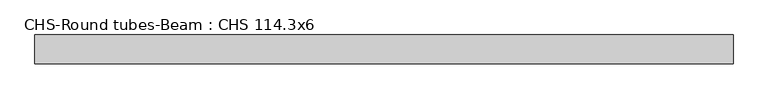
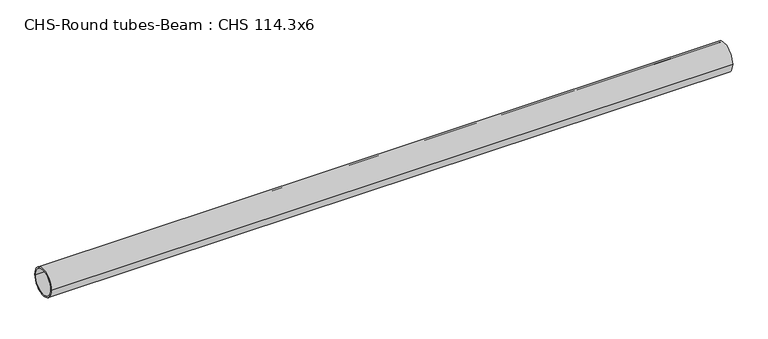
"""IFC4 building model written with IfcOpenShell, lengths in millimetres: beam geometry, CHS-Round tubes-Beam : CHS 114.3x6."""

import ifcopenshell
import ifcopenshell.guid

model = None  # the IFC model being written
_history = None  # IfcOwnerHistory: only IFC2X3 demands one
_inside = {}  # id of a spatial element -> (the spatial element, [elements in it])
_under = {}  # id of a project, library or spatial element -> (it, [spatial elements below it])
_declared = {}  # id of a project -> (the project, [libraries it declares])
_typed = {}  # id of a type object -> (the type object, [elements of that type])
_made_of = {}  # id of a material, layer set ... -> (it, [elements and type objects made of it])


def new_model(schema):
    """Start an empty IFC model of exactly this schema.

    Asked for "IFC4X3", IfcOpenShell would pick the latest addendum, in which some entities
    have other attributes; the version numbers below select the first issue.
    IFC2X3 requires an IfcOwnerHistory on every rooted entity: one is made here for all.
    """
    global model, _history
    if schema == "IFC4X3":
        model = ifcopenshell.file(schema_version=(4, 3, 0, 0))
    else:
        model = ifcopenshell.file(schema=schema)
    _inside.clear()
    _under.clear()
    _declared.clear()
    _typed.clear()
    _made_of.clear()
    _history = None
    if model.schema == "IFC2X3":
        org = make("IfcOrganization", Name="unknown")
        user = make(
            "IfcPersonAndOrganization",
            ThePerson=make("IfcPerson", FamilyName="unknown"),
            TheOrganization=org,
        )
        app = make(
            "IfcApplication",
            ApplicationDeveloper=org,
            Version="unknown",
            ApplicationFullName="unknown",
            ApplicationIdentifier="unknown",
        )
        _history = make(
            "IfcOwnerHistory",
            OwningUser=user,
            OwningApplication=app,
            ChangeAction="ADDED",
            CreationDate=0,
        )
    return model


def make(cls, **values):
    """One entity of the class cls with the attributes given. An attribute that is None is left unset."""
    return model.create_entity(
        cls, **{name: value for name, value in values.items() if value is not None}
    )


def rooted(cls, **values):
    """An entity with a GlobalId (a new one), such as an element, a storey or a relation."""
    return make(cls, GlobalId=ifcopenshell.guid.new(), OwnerHistory=_history, **values)


def si_unit(unit_type, name, prefix=None):
    """IfcSIUnit, for example si_unit("LENGTHUNIT", "METRE", prefix="MILLI")."""
    return make("IfcSIUnit", UnitType=unit_type, Prefix=prefix, Name=name)


def assignment(units):
    """IfcUnitAssignment: the units of a project."""
    return None if units is None else make("IfcUnitAssignment", Units=units)


def point(xyz):
    """IfcCartesianPoint."""
    return None if xyz is None else make("IfcCartesianPoint", Coordinates=xyz)


def direction(xyz):
    """IfcDirection."""
    return None if xyz is None else make("IfcDirection", DirectionRatios=xyz)


def frame(location, z_axis=None, x_axis=None):
    """IfcAxis2Placement3D, a coordinate frame: its origin and axes. An axis left out is left unset."""
    return make(
        "IfcAxis2Placement3D",
        Location=point(location),
        Axis=direction(z_axis),
        RefDirection=direction(x_axis),
    )


def frame_2d(location, x_axis=None):
    """IfcAxis2Placement2D, a coordinate frame in the plane: its origin and x axis."""
    return make(
        "IfcAxis2Placement2D", Location=point(location), RefDirection=direction(x_axis)
    )


def origin():
    """The frame at (0, 0, 0) with its axes left unset."""
    return frame((0.0, 0.0, 0.0))


def origin_2d():
    """The frame at (0, 0) in the plane with its x axis left unset."""
    return frame_2d((0.0, 0.0))


def place(relative_to, where):
    """IfcLocalPlacement: puts the frame where relative to a parent placement (None: the world)."""
    return make(
        "IfcLocalPlacement", PlacementRelTo=relative_to, RelativePlacement=where
    )


def context(
    kind, dimensions, precision=None, world=None, true_north=None, identifier=None
):
    """IfcGeometricRepresentationContext, for example the 3D "Model" context."""
    return make(
        "IfcGeometricRepresentationContext",
        ContextIdentifier=identifier,
        ContextType=kind,
        CoordinateSpaceDimension=dimensions,
        Precision=precision,
        WorldCoordinateSystem=world,
        TrueNorth=true_north,
    )


def project(units=None, contexts=None):
    """IfcProject with its units and contexts."""
    return rooted(
        "IfcProject",
        Name="project",
        RepresentationContexts=contexts,
        UnitsInContext=assignment(units),
    )


def spatial(cls, under=None, at=None, **own):
    """A site, building, storey or space (cls), placed at a placement, below another one or the project."""
    s = rooted(cls, ObjectPlacement=at, **own)
    if under is not None:
        _under.setdefault(under.id(), (under, []))[1].append(s)
    return s


def circle_curve(where, radius):
    """IfcCircle in the frame where."""
    return make("IfcCircle", Position=where, Radius=radius)


def trimmed(basis, trim1, trim2, sense, master):
    """IfcTrimmedCurve: the piece of a basis curve between two trims."""
    return make(
        "IfcTrimmedCurve",
        BasisCurve=basis,
        Trim1=trim1,
        Trim2=trim2,
        SenseAgreement=sense,
        MasterRepresentation=master,
    )


def segment(curve, same_sense, transition):
    """IfcCompositeCurveSegment."""
    return make(
        "IfcCompositeCurveSegment",
        Transition=transition,
        SameSense=same_sense,
        ParentCurve=curve,
    )


def composite_curve(segments, self_intersect=None):
    """IfcCompositeCurve: segments joined end to end."""
    return make("IfcCompositeCurve", Segments=segments, SelfIntersect=self_intersect)


def outline(outer, holes=None, kind="AREA"):
    """IfcArbitraryClosedProfileDef: a profile drawn as a closed curve; with holes, ...WithVoids."""
    if holes is None:
        return make("IfcArbitraryClosedProfileDef", ProfileType=kind, OuterCurve=outer)
    return make(
        "IfcArbitraryProfileDefWithVoids",
        ProfileType=kind,
        OuterCurve=outer,
        InnerCurves=holes,
    )


def extrude(swept, where, along, depth):
    """IfcExtrudedAreaSolid: the profile swept, set in the frame where, extruded along a direction by depth."""
    return make(
        "IfcExtrudedAreaSolid",
        SweptArea=swept,
        Position=where,
        ExtrudedDirection=direction(along),
        Depth=depth,
    )


def shape(context_of_items, identifier, shape_type, items):
    """IfcShapeRepresentation: the items that make up one representation, for example the "Body"."""
    return make(
        "IfcShapeRepresentation",
        ContextOfItems=context_of_items,
        RepresentationIdentifier=identifier,
        RepresentationType=shape_type,
        Items=items,
    )


def source(mapping_origin, context_of_items, identifier, shape_type, items):
    """IfcRepresentationMap: a shape defined once, which mapped items show again and again."""
    return make(
        "IfcRepresentationMap",
        MappingOrigin=mapping_origin,
        MappedRepresentation=shape(context_of_items, identifier, shape_type, items),
    )


def transform(
    local_origin,
    x_axis=None,
    y_axis=None,
    z_axis=None,
    scale=None,
    scale2=None,
    scale3=None,
    uniform=True,
):
    """IfcCartesianTransformationOperator3D, or its non-uniform kind. x_axis, y_axis, z_axis: its Axis1, 2, 3."""
    if uniform:
        return make(
            "IfcCartesianTransformationOperator3D",
            Axis1=direction(x_axis),
            Axis2=direction(y_axis),
            LocalOrigin=point(local_origin),
            Scale=scale,
            Axis3=direction(z_axis),
        )
    return make(
        "IfcCartesianTransformationOperator3DnonUniform",
        Axis1=direction(x_axis),
        Axis2=direction(y_axis),
        LocalOrigin=point(local_origin),
        Scale=scale,
        Axis3=direction(z_axis),
        Scale2=scale2,
        Scale3=scale3,
    )


def mapped(mapping_source, mapping_target):
    """IfcMappedItem: shows the shape of a source again, moved by a transform."""
    return make(
        "IfcMappedItem", MappingSource=mapping_source, MappingTarget=mapping_target
    )


def made_of(thing, what):
    """Note that an element or type object is made of a material, layer set ...; save() writes the relation."""
    if what is not None:
        _made_of.setdefault(what.id(), (what, []))[1].append(thing)
    return thing


def element(
    cls,
    number,
    at=None,
    inside=None,
    cuts=None,
    type_object=None,
    material=None,
    context=None,
    identifier="Body",
    shape_type=None,
    held_by="IfcProductDefinitionShape",
    body=None,
    shapes=None,
    **own,
):
    """One element of the class cls, such as IfcWall. Its Tag is "e" and its number.

    at: its placement. inside: the storey or other place that contains it. cuts: it is an
    opening in that element (IfcRelVoidsElement). A single representation is given by context,
    identifier, shape_type and body (its items); several are given by shapes. held_by: the class
    of the entity that holds the representations. save() writes the other relations.
    """
    e = rooted(cls, Tag="e%d" % number, ObjectPlacement=at, **own)
    if body is not None:
        shapes = [shape(context, identifier, shape_type, body)]
    if shapes is not None:
        e.Representation = make(held_by, Representations=shapes)
    if inside is not None:
        _inside.setdefault(inside.id(), (inside, []))[1].append(e)
    if cuts is not None:
        rooted(
            "IfcRelVoidsElement", RelatingBuildingElement=cuts, RelatedOpeningElement=e
        )
    if type_object is not None:
        _typed.setdefault(type_object.id(), (type_object, []))[1].append(e)
    return made_of(e, material)


def aggregate(whole, parts):
    """IfcRelAggregates: a whole, such as a stair, and the parts it consists of."""
    return rooted("IfcRelAggregates", RelatingObject=whole, RelatedObjects=parts)


def save(model, path):
    """Write the relations noted so far, then the file.

    IfcRelAggregates (storeys below a building ...), IfcRelContainedInSpatialStructure (elements
    in a storey), IfcRelDefinesByType, IfcRelAssociatesMaterial and IfcRelDeclares: one each for
    every whole, place, type object, material and project.
    """
    for whole, parts in _under.values():
        aggregate(whole, parts)
    for where, things in _inside.values():
        rooted(
            "IfcRelContainedInSpatialStructure",
            RelatedElements=things,
            RelatingStructure=where,
        )
    for kind, things in _typed.values():
        rooted("IfcRelDefinesByType", RelatedObjects=things, RelatingType=kind)
    for what, things in _made_of.values():
        rooted("IfcRelAssociatesMaterial", RelatedObjects=things, RelatingMaterial=what)
    for by, libraries in _declared.values():
        rooted("IfcRelDeclares", RelatingContext=by, RelatedDefinitions=libraries)
    model.write(path)


def chs_round_tubes_beam_chs_114_3x6_7db4c70f(model_context):
    return source(origin(), model_context, "Body", "SweptSolid", [
        extrude(outline(composite_curve([segment(trimmed(circle_curve(origin_2d(), 57.15), [point((57.15, 0.0))], [point((-57.15, 0.0))], False, "CARTESIAN"), True, "CONTINUOUS"), segment(trimmed(circle_curve(origin_2d(), 57.15), [point((-57.15, 0.0))], [point((57.15, 0.0))], False, "CARTESIAN"), True, "CONTINUOUS")], self_intersect=False), holes=[composite_curve([segment(trimmed(circle_curve(origin_2d(), 51.15), [point((51.15, 0.0))], [point((-51.15, 0.0))], True, "CARTESIAN"), True, "CONTINUOUS"), segment(trimmed(circle_curve(origin_2d(), 51.15), [point((-51.15, 0.0))], [point((51.15, 0.0))], True, "CARTESIAN"), True, "CONTINUOUS")], self_intersect=False)]), frame((-1298.5050569, 0.0, 0.0), z_axis=(1.0, 0.0, 0.0), x_axis=(0.0, 1.0, 0.0)), (0.0, 0.0, 1.0), 2760.6487087),
    ])


if __name__ == "__main__":
    model = new_model("IFC4")
    model_context = context("Model", 3, world=origin())
    ifc_project = project(units=[si_unit("LENGTHUNIT", "METRE", prefix="MILLI")], contexts=[model_context])
    site = spatial("IfcSite", under=ifc_project)
    building = spatial("IfcBuilding", under=site)
    placement = place(None, origin())
    chs_round_tubes_beam_chs_114_3x6_shape = chs_round_tubes_beam_chs_114_3x6_7db4c70f(model_context)
    element("IfcBeam", 1, ObjectType="CHS-Round tubes-Beam : CHS 114.3x6", at=placement, inside=building, context=model_context, shape_type="MappedRepresentation", body=[
        mapped(chs_round_tubes_beam_chs_114_3x6_shape, transform((0.0, 0.0, 0.0), x_axis=(1.0, 0.0, 0.0), y_axis=(0.0, 1.0, 0.0), z_axis=(0.0, 0.0, 1.0))),
    ])
    save(model, "model.ifc")
